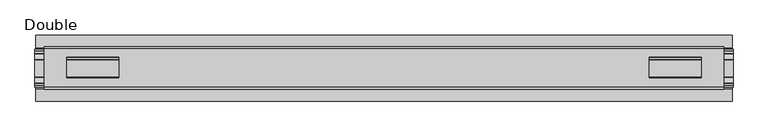
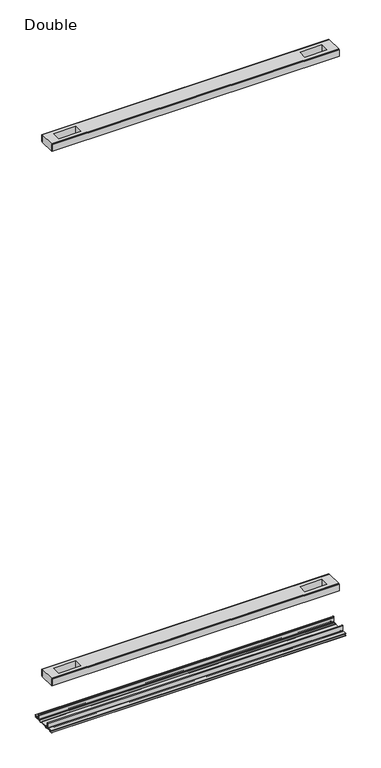
"""IFC4 building model written with IfcOpenShell, lengths in millimetres: proxy geometry, Double."""

from ifc_helpers import new_model, si_unit, point, frame, frame_2d, origin, place, context, project, spatial, polyline, circle_curve, trimmed, segment, composite_curve, outline, extrude, source, transform, mapped, element, save


def double_db555afa(model_context):
    return source(origin(), model_context, "Body", "SweptSolid", [
        extrude(outline(polyline([(517.4615091, 29.0068005), (-517.4615091, 29.0068005), (-517.4615091, 32.1817997), (517.4615091, 32.1817997), (517.4615091, 29.0068005)])), frame((0.0, 0.0, 2186.2851593), z_axis=(0.0, 0.0, 1.0), x_axis=(1.0, 0.0, 0.0)), (0.0, 0.0, 1.0), 25.3999939),
        extrude(outline(polyline([(517.4615091, -32.1817997), (-517.4615091, -32.1817997), (-517.4615091, -29.0068005), (517.4615091, -29.0068005), (517.4615091, -32.1817997)])), frame((0.0, 0.0, 2186.2851593), z_axis=(0.0, 0.0, 1.0), x_axis=(1.0, 0.0, 0.0)), (0.0, 0.0, 1.0), 25.3999939),
        extrude(outline(polyline([(517.4615091, -29.0068005), (-517.4615091, -29.0068005), (-517.4615091, 29.0068005), (517.4615091, 29.0068005), (517.4615091, -29.0068005)]), holes=[polyline([(483.0444965, -15.1130038), (483.0444965, 15.875003), (403.9996847, 15.875003), (403.9996847, -15.1130038), (483.0444965, -15.1130038)]), polyline([(-483.0444965, -15.1130038), (-403.9996847, -15.1130038), (-403.9996847, 15.875003), (-483.0444965, 15.875003), (-483.0444965, -15.1130038)])]), frame((0.0, 0.0, 2184.9851569), z_axis=(0.0, 0.0, 1.0), x_axis=(1.0, 0.0, 0.0)), (0.0, 0.0, 1.0), 27.9999988),
        extrude(outline(polyline([(517.4615091, 29.0068005), (-517.4615091, 29.0068005), (-517.4615091, 32.1817997), (517.4615091, 32.1817997), (517.4615091, 29.0068005)])), frame((0.0, 0.0, 149.8401622), z_axis=(0.0, 0.0, 1.0), x_axis=(1.0, 0.0, 0.0)), (0.0, 0.0, 1.0), 25.3999939),
        extrude(outline(polyline([(517.4615091, -32.1817997), (-517.4615091, -32.1817997), (-517.4615091, -29.0068005), (517.4615091, -29.0068005), (517.4615091, -32.1817997)])), frame((0.0, 0.0, 149.8401622), z_axis=(0.0, 0.0, 1.0), x_axis=(1.0, 0.0, 0.0)), (0.0, 0.0, 1.0), 25.3999939),
        extrude(outline(polyline([(517.4615091, -29.0068005), (-517.4615091, -29.0068005), (-517.4615091, 29.0068005), (517.4615091, 29.0068005), (517.4615091, -29.0068005)]), holes=[polyline([(483.0444965, -15.1130038), (483.0444965, 15.875003), (403.9996847, 15.875003), (403.9996847, -15.1130038), (483.0444965, -15.1130038)]), polyline([(-483.0444965, -15.1130038), (-403.9996847, -15.1130038), (-403.9996847, 15.875003), (-483.0444965, 15.875003), (-483.0444965, -15.1130038)])]), frame((0.0, 0.0, 148.4185847), z_axis=(0.0, 0.0, 1.0), x_axis=(1.0, 0.0, 0.0)), (0.0, 0.0, 1.0), 27.9999988),
        extrude(outline(composite_curve([segment(trimmed(circle_curve(frame_2d((26.6420561, -7.7516037)), 2.17424), [point((28.8162961, -7.7516037))], [point((26.6420561, -9.9258438))], False, "CARTESIAN"), True, "CONTINUOUS"), segment(polyline([(26.6420561, -9.9258438), (22.3510694, -9.9258438)]), True, "CONTINUOUS"), segment(trimmed(circle_curve(frame_2d((17.7706549, -6.4800016)), 5.7318431), [point((22.3510694, -9.9258438))], [point((13.1902404, -9.9258438))], False, "CARTESIAN"), True, "CONTINUOUS"), segment(polyline([(13.1902404, -9.9258438), (-13.57124, -9.9258438)]), True, "CONTINUOUS"), segment(trimmed(circle_curve(frame_2d((-18.1516545, -6.4800016)), 5.7318431), [point((-13.57124, -9.9258438))], [point((-22.732069, -9.9258438))], False, "CARTESIAN"), True, "CONTINUOUS"), segment(polyline([(-22.732069, -9.9258438), (-27.0230557, -9.9258438)]), True, "CONTINUOUS"), segment(trimmed(circle_curve(frame_2d((-27.0230557, -7.7516037)), 2.17424), [point((-27.0230557, -9.9258438))], [point((-29.1972958, -7.7516037))], False, "CARTESIAN"), True, "CONTINUOUS"), segment(polyline([(-29.1972958, -7.7516037), (-29.1972958, 9.8607558)]), True, "CONTINUOUS"), segment(trimmed(circle_curve(frame_2d((-27.9780978, 9.8607558)), 1.2191979), [point((-29.1972958, 9.8607558))], [point((-26.7588999, 9.8607558))], False, "CARTESIAN"), True, "CONTINUOUS"), segment(polyline([(-26.7588999, 9.8607558), (-26.7588999, 5.9999563), (-28.0390765, 5.9999563), (-28.0390765, -7.7516037)]), True, "CONTINUOUS"), segment(trimmed(circle_curve(frame_2d((-27.0230557, -7.7516037)), 1.0160208), [point((-28.0390765, -7.7516037))], [point((-27.0295728, -8.7676036))], True, "CARTESIAN"), True, "CONTINUOUS"), segment(polyline([(-27.0295728, -8.7676036), (-23.0866222, -8.7676036), (-22.1732605, -8.968753)]), True, "CONTINUOUS"), segment(trimmed(circle_curve(frame_2d((-18.1483018, -6.1259382)), 4.9276657), [point((-22.1732605, -8.968753))], [point((-14.123343, -8.968753))], True, "CARTESIAN"), True, "CONTINUOUS"), segment(polyline([(-14.123343, -8.968753), (-13.2099722, -8.7676036), (12.8289726, -8.7676036), (13.7423434, -8.968753)]), True, "CONTINUOUS"), segment(trimmed(circle_curve(frame_2d((17.7673021, -6.1259382)), 4.9276657), [point((13.7423434, -8.968753))], [point((21.7922609, -8.968753))], True, "CARTESIAN"), True, "CONTINUOUS"), segment(polyline([(21.7922609, -8.968753), (22.7056226, -8.7676036), (26.6485732, -8.7676036)]), True, "CONTINUOUS"), segment(trimmed(circle_curve(frame_2d((26.6420561, -7.7516037)), 1.0160208), [point((26.6485732, -8.7676036))], [point((27.6580769, -7.7516037))], True, "CARTESIAN"), True, "CONTINUOUS"), segment(polyline([(27.6580769, -7.7516037), (27.6580769, 5.9999563), (26.3779003, 5.9999563), (26.3779003, 9.8607558)]), True, "CONTINUOUS"), segment(trimmed(circle_curve(frame_2d((27.5970982, 9.8607558)), 1.2191979), [point((26.3779003, 9.8607558))], [point((28.8162961, 9.8607558))], False, "CARTESIAN"), True, "CONTINUOUS"), segment(polyline([(28.8162961, 9.8607558), (28.8162961, -7.7516037)]), True, "CONTINUOUS")], self_intersect=False)), frame((-531.5204, 0.0, 0.0), z_axis=(1.0, 0.0, 0.0), x_axis=(0.0, 1.0, 0.0)), (0.0, 0.0, 1.0), 1063.0408),
        extrude(outline(composite_curve([segment(polyline([(50.2668422, -13.9898438), (39.6557522, -13.9898438)]), True, "CONTINUOUS"), segment(trimmed(circle_curve(frame_2d((39.6557522, -12.4658438)), 1.524), [point((39.6557522, -13.9898438))], [point((38.1317522, -12.4658438))], False, "CARTESIAN"), True, "CONTINUOUS"), segment(polyline([(38.1317522, -12.4658438), (38.1317522, -7.766844), (31.3054974, -7.766844), (31.3054974, -10.0528438)]), True, "CONTINUOUS"), segment(trimmed(circle_curve(frame_2d((29.7814974, -10.0528438)), 1.524), [point((31.3054974, -10.0528438))], [point((29.7814974, -11.5768438))], False, "CARTESIAN"), True, "CONTINUOUS"), segment(polyline([(29.7814974, -11.5768438), (23.2753553, -11.5768438)]), True, "CONTINUOUS"), segment(trimmed(circle_curve(frame_2d((17.7673021, -6.4968436)), 7.4930002), [point((23.2753553, -11.5768438))], [point((12.5094972, -11.8354331))], False, "CARTESIAN"), True, "CONTINUOUS"), segment(polyline([(12.5094972, -11.8354331), (-12.8904968, -11.8354331)]), True, "CONTINUOUS"), segment(trimmed(circle_curve(frame_2d((-18.1483018, -6.4968436)), 7.4930002), [point((-12.8904968, -11.8354331))], [point((-23.6563549, -11.5768438))], False, "CARTESIAN"), True, "CONTINUOUS"), segment(polyline([(-23.6563549, -11.5768438), (-30.1624971, -11.5768438)]), True, "CONTINUOUS"), segment(trimmed(circle_curve(frame_2d((-30.1624971, -10.0528438)), 1.524), [point((-30.1624971, -11.5768438))], [point((-31.686497, -10.0528438))], False, "CARTESIAN"), True, "CONTINUOUS"), segment(polyline([(-31.686497, -10.0528438), (-31.686497, -7.766844), (-38.5127519, -7.766844), (-38.5127519, -12.4658438)]), True, "CONTINUOUS"), segment(trimmed(circle_curve(frame_2d((-40.0367518, -12.4658438)), 1.524), [point((-38.5127519, -12.4658438))], [point((-40.0367518, -13.9898438))], False, "CARTESIAN"), True, "CONTINUOUS"), segment(polyline([(-40.0367518, -13.9898438), (-50.00625, -13.9898438), (-50.00625, -12.3388438), (-40.1637503, -12.3388438), (-40.1637503, -7.766844), (-50.00625, -7.766844), (-50.00625, -6.1158439), (-31.6239218, -6.1158439)]), True, "CONTINUOUS"), segment(trimmed(circle_curve(frame_2d((-31.6864982, -7.7656583)), 1.6510007), [point((-31.6239218, -6.1158439))], [point((-30.0354975, -7.7656583))], False, "CARTESIAN"), True, "CONTINUOUS"), segment(polyline([(-30.0354975, -7.7656583), (-30.0354975, -9.9258438), (-23.486834, -9.9258438)]), True, "CONTINUOUS"), segment(trimmed(circle_curve(frame_2d((-18.1483018, -5.2268471)), 7.1119966), [point((-23.486834, -9.9258438))], [point((-12.8097695, -9.9258438))], True, "CARTESIAN"), True, "CONTINUOUS"), segment(polyline([(-12.8097695, -9.9258438), (12.4287699, -9.9258438)]), True, "CONTINUOUS"), segment(trimmed(circle_curve(frame_2d((17.7673021, -5.2268471)), 7.1119966), [point((12.4287699, -9.9258438))], [point((23.1058344, -9.9258438))], True, "CARTESIAN"), True, "CONTINUOUS"), segment(polyline([(23.1058344, -9.9258438), (29.6544978, -9.9258438), (29.6544978, -7.6398436)]), True, "CONTINUOUS"), segment(trimmed(circle_curve(frame_2d((31.1784975, -7.6398436)), 1.5239997), [point((29.6544978, -7.6398436))], [point((31.1784975, -6.1158439))], False, "CARTESIAN"), True, "CONTINUOUS"), segment(polyline([(31.1784975, -6.1158439), (50.2668422, -6.1158439), (50.2240211, -7.766844), (39.7827507, -7.766844), (39.7827507, -12.3388438), (50.2240211, -12.3388438), (50.2668422, -13.9898438)]), True, "CONTINUOUS")], self_intersect=False)), frame((-529.8694, 0.0, 0.0), z_axis=(1.0, 0.0, 0.0), x_axis=(0.0, 1.0, 0.0)), (0.0, 0.0, 1.0), 1059.7388),
    ])


if __name__ == "__main__":
    model = new_model("IFC4")
    model_context = context("Model", 3, world=origin())
    ifc_project = project(units=[si_unit("LENGTHUNIT", "METRE", prefix="MILLI")], contexts=[model_context])
    site = spatial("IfcSite", under=ifc_project)
    building = spatial("IfcBuilding", under=site)
    placement = place(None, origin())
    double_shape = double_db555afa(model_context)
    element("IfcBuildingElementProxy", 1, Name="Double", ObjectType="Double", at=placement, inside=building, context=model_context, shape_type="MappedRepresentation", body=[
        mapped(double_shape, transform((0.0, 0.0, 0.0), x_axis=(1.0, 0.0, 0.0), y_axis=(0.0, 1.0, 0.0), z_axis=(0.0, 0.0, 1.0))),
    ])
    save(model, "model.ifc")
